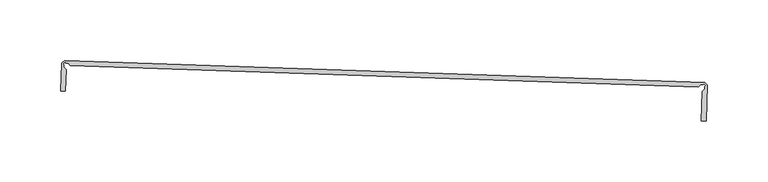
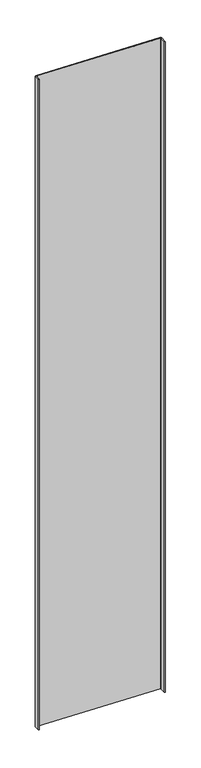
"""IFC4 building model written with IfcOpenShell, lengths in millimetres: proxy geometry."""

from ifc_helpers import new_model, si_unit, frame, origin, place, context, project, spatial, polyline, outline, extrude, source, transform, mapped, element, save


def generic_models_7e5e5a29(model_context):
    return source(origin(), model_context, "Body", "SweptSolid", [
        extrude(outline(polyline([(17462.9828705, -14622.7560109), (17465.4454469, -14620.4564047), (17993.5261654, -14638.5278502), (17995.8303043, -14640.986186), (17994.8639249, -14670.4657649), (17990.8951956, -14670.3372677), (17991.604552, -14646.0104375), (17993.7292461, -14643.8857435), (17993.7908862, -14641.9819393), (17994.4438824, -14641.3699014), (17993.05357, -14639.886547), (17992.4005738, -14640.4985849), (17990.4967694, -14640.4369444), (17988.4695388, -14642.3370193), (17470.2374653, -14624.5935295), (17468.3411287, -14622.5628015), (17466.4374411, -14622.4976541), (17465.8266075, -14621.8435312), (17464.3406943, -14623.2311085), (17464.9515279, -14623.8852314), (17464.8863802, -14625.7889188), (17466.7827168, -14627.8196465), (17466.1636652, -14645.9090365), (17462.1951794, -14645.7732278), (17462.9828705, -14622.7560109)])), frame((0.0, 0.0, 73.975708), z_axis=(0.0, 0.0, 1.0), x_axis=(1.0, 0.0, 0.0)), (0.0, 0.0, 1.0), 2959.11),
    ])


if __name__ == "__main__":
    model = new_model("IFC4")
    model_context = context("Model", 3, world=origin())
    ifc_project = project(units=[si_unit("LENGTHUNIT", "METRE", prefix="MILLI")], contexts=[model_context])
    site = spatial("IfcSite", under=ifc_project)
    building = spatial("IfcBuilding", under=site)
    placement = place(None, origin())
    generic_models_shape = generic_models_7e5e5a29(model_context)
    element("IfcBuildingElementProxy", 1, Name="Generic Models", at=placement, inside=building, context=model_context, shape_type="MappedRepresentation", body=[
        mapped(generic_models_shape, transform((0.0, 0.0, 0.0), x_axis=(1.0, 0.0, 0.0), y_axis=(0.0, 1.0, 0.0), z_axis=(0.0, 0.0, 1.0))),
    ])
    save(model, "model.ifc")
